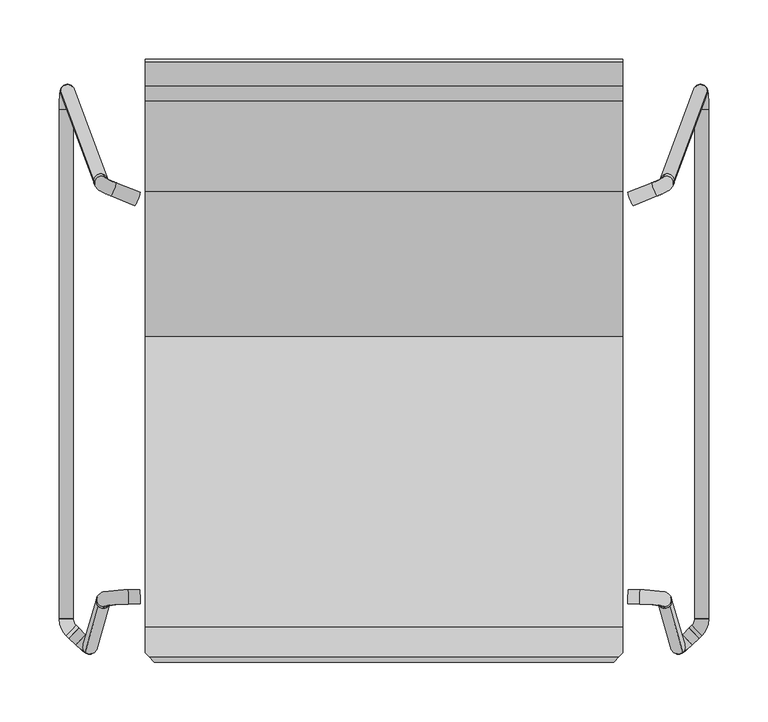
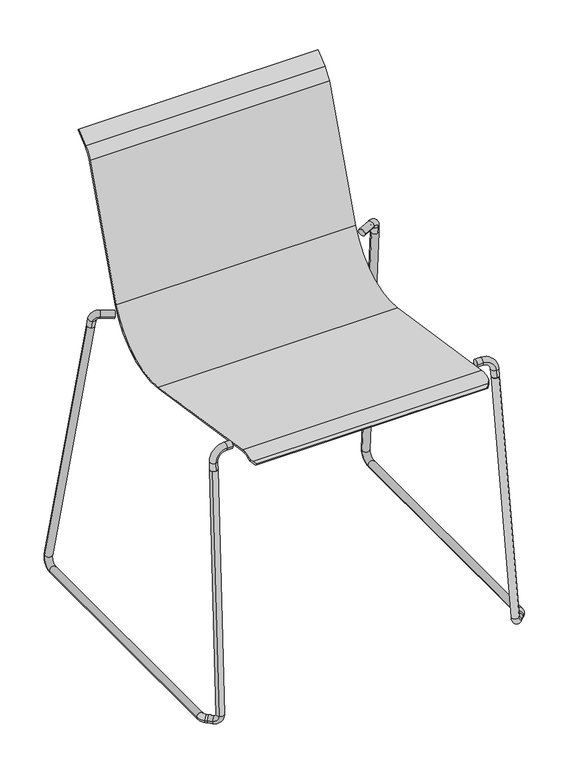
"""IFC4 building model written with IfcOpenShell, lengths in millimetres: furniture geometry."""

from ifc_helpers import new_model, si_unit, point, frame, origin, place, context, project, spatial, polyline, circle_curve, ellipse_curve, trimmed, source, transform, mapped, element, save
from ifc_brep_helpers import plane_surface, cylinder_surface, revolved_surface, advanced_brep


def furniture_06264f81(model_context):
    return source(origin(), model_context, "Body", "AdvancedBrep", [
        advanced_brep(
        [(201.2444976, 24.3304529, 419.943307), (201.2444976, 149.8338924, 494.2810775), (201.2444976, 226.3730894, 704.570793), (201.2444976, 238.2492899, 721.531765), (201.2444976, 258.5294803, 738.5488653), (201.2444976, 256.6011175, 740.8469986), (201.2444976, 236.320927, 723.8298983), (201.2444976, 223.5540116, 705.5968534), (201.2444976, 147.0148146, 495.3071379), (201.2444976, 24.7853778, 422.9086137), (201.2444976, -220.3412949, 460.5149201), (201.2444976, -242.0002907, 456.3854383), (201.2444976, -242.0002907, 452.8488399), (201.2444976, -220.7962198, 457.5496134), (-201.2292924, 24.3304529, 419.943307), (-201.2292924, -220.7962198, 457.5496134), (-201.2292924, -242.0171778, 452.8375601), (-201.2292924, -242.0171778, 456.3755592), (-201.2292924, -220.3412949, 460.5149201), (-201.2292924, 24.7853778, 422.9086137), (-201.2292924, 147.0148146, 495.3071379), (-201.2292924, 223.5540116, 705.5968534), (-201.2292924, 236.320927, 723.8298983), (-201.2292924, 256.6011175, 740.8469986), (-201.2292924, 258.5294803, 738.5488653), (-201.2292924, 238.2492899, 721.531765), (-201.2292924, 226.3730894, 704.570793), (-201.2292924, 149.8338924, 494.2810775), (-197.9472119, -245.6622975, 453.9009021), (197.9472119, -245.6622975, 453.9009021), (-193.835065, -250.2292993, 450.3327693), (193.835065, -250.2292993, 450.3327693), (-195.4980973, -248.3823149, 447.9687371), (195.4980973, -248.3823149, 447.9687371), (-199.6102441, -243.8153131, 451.5368699), (199.6102441, -243.8153131, 451.5368699)],
        [
            (0, 1, circle_curve(frame((201.2444976, 41.769241, 533.613394), z_axis=(1.0, 0.0, 0.0), x_axis=(0.0, -1.0, 0.0)), 115.0)),
            (1, 2),
            (2, 3, circle_curve(frame((201.2444976, 263.9607943, 690.8899872), z_axis=(-1.0, 0.0, 0.0), x_axis=(0.0, -1.0, 0.0)), 40.0)),
            (3, 4),
            (4, 5),
            (5, 6),
            (6, 7, circle_curve(frame((201.2444976, 263.9607943, 690.8899872), z_axis=(1.0, 0.0, 0.0), x_axis=(0.0, -1.0, 0.0)), 43.0)),
            (7, 8),
            (8, 9, circle_curve(frame((201.2444976, 41.769241, 533.613394), z_axis=(-1.0, 0.0, 0.0), x_axis=(0.0, -1.0, 0.0)), 112.0)),
            (9, 10),
            (10, 11, circle_curve(frame((201.2444976, -225.3454689, 427.8965473), z_axis=(1.0, 0.0, 0.0), x_axis=(0.0, -1.0, 0.0)), 33.0)),
            (11, 12),
            (12, 13, circle_curve(frame((201.2444976, -225.3454689, 427.8965473), z_axis=(-1.0, 0.0, 0.0), x_axis=(0.0, -1.0, 0.0)), 30.0)),
            (13, 0),
            (14, 15),
            (15, 16, circle_curve(frame((-201.2292924, -225.3454689, 427.8965473), z_axis=(1.0, 0.0, 0.0), x_axis=(0.0, -1.0, 0.0)), 30.0)),
            (16, 17),
            (17, 18, circle_curve(frame((-201.2292924, -225.3454689, 427.8965473), z_axis=(-1.0, 0.0, 0.0), x_axis=(0.0, -1.0, 0.0)), 33.0)),
            (18, 19),
            (19, 20, circle_curve(frame((-201.2292924, 41.769241, 533.613394), z_axis=(1.0, 0.0, 0.0), x_axis=(0.0, -1.0, 0.0)), 112.0)),
            (20, 21),
            (21, 22, circle_curve(frame((-201.2292924, 263.9607943, 690.8899872), z_axis=(-1.0, 0.0, 0.0), x_axis=(0.0, -1.0, 0.0)), 43.0)),
            (22, 23),
            (23, 24),
            (24, 25),
            (25, 26, circle_curve(frame((-201.2292924, 263.9607943, 690.8899872), z_axis=(1.0, 0.0, 0.0), x_axis=(0.0, -1.0, 0.0)), 40.0)),
            (26, 27),
            (27, 14, circle_curve(frame((-201.2292924, 41.769241, 533.613394), z_axis=(-1.0, 0.0, 0.0), x_axis=(0.0, -1.0, 0.0)), 115.0)),
            (0, 14),
            (27, 1),
            (26, 2),
            (25, 3),
            (24, 4),
            (23, 5),
            (22, 6),
            (21, 7),
            (20, 8),
            (19, 9),
            (18, 10),
            (17, 28, ellipse_curve(frame((-216.2405666, -225.3454689, 427.8965473), z_axis=(0.743144825477396, 0.6691306063588562, 0.0), x_axis=(0.6691306063588561, -0.743144825477396, 0.0)), 44.4058801, 33.0)),
            (28, 29),
            (29, 11, ellipse_curve(frame((216.2405666, -225.3454689, 427.8965473), z_axis=(-0.743144825477396, 0.6691306063588562, 0.0), x_axis=(0.6691306063588561, 0.743144825477396, 0.0)), 44.4058801, 33.0)),
            (28, 30),
            (30, 31),
            (31, 29),
            (30, 32),
            (32, 33),
            (33, 31),
            (32, 34),
            (34, 35),
            (35, 33),
            (15, 13),
            (12, 35, ellipse_curve(frame((216.2405666, -225.3454689, 427.8965473), z_axis=(0.743144825477396, -0.6691306063588562, 0.0), x_axis=(-0.6691306063588561, -0.743144825477396, 0.0)), 40.3689819, 30.0)),
            (34, 16, ellipse_curve(frame((-216.2405666, -225.3454689, 427.8965473), z_axis=(-0.743144825477396, -0.6691306063588562, 0.0), x_axis=(-0.6691306063588561, 0.743144825477396, 0.0)), 40.3689819, 30.0)),
        ],
        [
            plane_surface(frame((201.2444976, -73.230759, 533.613394), z_axis=(1.0, 0.0, 0.0), x_axis=(0.0, 0.0, -1.0))),
            plane_surface(frame((-201.2292924, -73.230759, 533.613394), z_axis=(-1.0, 0.0, 0.0), x_axis=(0.0, 0.0, 1.0))),
            cylinder_surface(frame((-201.2292924, 41.769241, 533.613394), z_axis=(1.0, 0.0, 0.0), x_axis=(0.0, -1.0, 0.0)), 115.0),
            plane_surface(frame((201.2444976, 149.8338924, 494.2810775), z_axis=(0.0, 0.939692620785908, -0.3420201433256698), x_axis=(-1.0, 0.0, 0.0))),
            revolved_surface(polyline([(-201.2292924, 223.96079429999998, 690.8899872), (201.24449760000002, 223.96079429999998, 690.8899872)]), (-201.2292924, 263.9607943, 690.8899872), (-1.0, 0.0, 0.0)),
            plane_surface(frame((201.2444976, 238.2492899, 721.531765), z_axis=(0.0, 0.6427876096865349, -0.7660444431189818), x_axis=(-1.0, 0.0, 0.0))),
            plane_surface(frame((201.2444976, 258.5294803, 738.5488653), z_axis=(0.0, 0.7660444431189765, 0.6427876096865414), x_axis=(-1.0, 0.0, 0.0))),
            plane_surface(frame((201.2444976, 256.6011175, 740.8469986), z_axis=(0.0, -0.6427876096865404, 0.7660444431189772), x_axis=(-1.0, 0.0, 0.0))),
            cylinder_surface(frame((-201.2292924, 263.9607943, 690.8899872), z_axis=(1.0, 0.0, 0.0), x_axis=(0.0, -1.0, 0.0)), 43.0),
            plane_surface(frame((201.2444976, 223.5540116, 705.5968534), z_axis=(0.0, -0.939692620785908, 0.34202014332566993), x_axis=(-1.0, 0.0, 0.0))),
            revolved_surface(polyline([(-201.2292924, -70.230759, 533.613394), (201.24449760000002, -70.230759, 533.613394)]), (-201.2292924, 41.769241, 533.613394), (-1.0, 0.0, 0.0)),
            plane_surface(frame((201.2444976, 24.7853778, 422.9086137), z_axis=(0.0, 0.15164163620801485, 0.988435538701516), x_axis=(-1.0, 0.0, 0.0))),
            cylinder_surface(frame((-201.2292924, -225.3454689, 427.8965473), z_axis=(1.0, 0.0, 0.0), x_axis=(0.0, -1.0, 0.0)), 33.0),
            plane_surface(frame((201.2444976, -245.6622975, 453.9009021), z_axis=(0.0, -0.6156614753256514, 0.7880107536067273), x_axis=(-1.0, 0.0, 0.0))),
            plane_surface(frame((201.2444976, -250.2292993, 450.3327693), z_axis=(0.0, -0.7880107536067199, -0.615661475325661), x_axis=(-1.0, 0.0, 0.0))),
            plane_surface(frame((201.2444976, -248.3823149, 447.9687371), z_axis=(0.0, 0.6156614753256584, -0.788010753606722), x_axis=(-1.0, 0.0, 0.0))),
            revolved_surface(polyline([(-243.25268793683668, -255.3454689, 427.8965473), (243.25268793683668, -255.3454689, 427.8965473)]), (-201.2292924, -225.3454689, 427.8965473), (-1.0, 0.0, 0.0)),
            plane_surface(frame((201.2444976, -220.7962198, 457.5496134), z_axis=(0.0, -0.1516416362080147, -0.988435538701516), x_axis=(-1.0, 0.0, 0.0))),
            plane_surface(frame((-191.0980388, -253.2690749, 508.707744), z_axis=(-0.743144825477396, -0.6691306063588562, 0.0), x_axis=(0.0, 0.0, -1.0))),
            plane_surface(frame((203.6244553, -239.35708, 508.707744), z_axis=(0.743144825477396, -0.6691306063588562, 0.0), x_axis=(0.0, 0.0, -1.0))),
        ],
        [
            (0, [[1, 2, 3, 4, 5, 6, 7, 8, 9, 10, 11, 12, 13, 14]]),
            (1, [[15, 16, 17, 18, 19, 20, 21, 22, 23, 24, 25, 26, 27, 28]]),
            (2, [[-1, 29, -28, 30]]),
            (3, [[-2, -30, -27, 31]]),
            (4, [[-3, -31, -26, 32]]),
            (5, [[-4, -32, -25, 33]]),
            (6, [[-5, -33, -24, 34]]),
            (7, [[-6, -34, -23, 35]]),
            (8, [[-7, -35, -22, 36]]),
            (9, [[-8, -36, -21, 37]]),
            (10, [[-9, -37, -20, 38]]),
            (11, [[-10, -38, -19, 39]]),
            (12, [[-39, -18, 40, 41, 42, -11]]),
            (13, [[43, 44, 45, -41]]),
            (14, [[46, 47, 48, -44]]),
            (15, [[49, 50, 51, -47]]),
            (16, [[52, -13, 53, -50, 54, -16]]),
            (17, [[-14, -52, -15, -29]]),
            (18, [[-17, -54, -49, -46, -43, -40]]),
            (19, [[-12, -42, -45, -48, -51, -53]]),
        ],
    ),
        advanced_brep(
        [(233.0457887, 156.2865809, 465.3329839), (260.8880786, 231.2063556, 23.0890391), (272.8643677, 231.2063556, 23.8430286), (245.0220778, 156.2865809, 466.0869735), (241.3354032, 150.8013257, 464.9256245), (236.7324633, 161.771836, 466.4943329), (261.9876853, 216.4162599, 5.6230052), (273.9639744, 216.4162599, 6.3769948), (261.9876853, -203.7753745, 5.6230052), (261.9876853, -212.8016624, 5.6230052), (261.9758298, -212.8016624, 6.0), (273.9639744, -212.8016624, 6.3769948), (273.9639744, -203.7753745, 6.3769948), (273.9758298, -212.8016624, 6.0), (257.6353373, -221.1344936, 6.0), (259.806494, -219.064209, 6.0), (268.0876327, -227.7488358, 6.0), (265.916476, -229.8191204, 6.0), (257.6510934, -221.1510174, 5.4770655), (265.9007198, -229.8025966, 6.5229345), (261.9758298, -213.9981766, 6.0), (273.9758298, -213.9981766, 6.0), (232.7300118, -194.3305077, 423.9132302), (240.9796382, -202.9820869, 424.9590991), (260.1151952, -235.3193255, 6.5229345), (251.8655688, -226.6677463, 5.4770655), (244.0071837, -232.9025417, 15.8874668), (252.2568101, -241.5541209, 16.9333358), (210.446413, 135.2055859, 483.3567488), (205.8434731, 146.1760963, 484.9254571), (235.9486996, 159.6628357, 478.9435512), (240.5516395, 148.6923253, 477.3748429), (226.114888, 154.3021151, 487.5782964), (230.7178279, 143.3316047, 486.009588)],
        [
            (0, 1),
            (1, 2, circle_curve(frame((266.8762232, 231.2063556, 23.4660339), z_axis=(-0.06195320901707969, -0.1667075686554561, 0.9840581214773203), x_axis=(-0.9980240887181486, 0.0, -0.06283246245619341)), 6.0)),
            (2, 3),
            (3, 4, circle_curve(frame((239.0339332, 156.2865809, 465.7099787), z_axis=(0.06195320901707969, 0.1667075686554561, -0.9840581214773203), x_axis=(-0.9980240887181486, 0.0, -0.06283246245619341)), 6.0)),
            (4, 0, circle_curve(frame((239.0339332, 156.2865809, 465.7099787), z_axis=(0.06195320901707969, 0.1667075686554561, -0.9840581214773203), x_axis=(-0.9980240887181486, 0.0, -0.06283246245619341)), 6.0)),
            (0, 5, circle_curve(frame((239.0339332, 156.2865809, 465.7099787), z_axis=(0.06195320901707969, 0.1667075686554561, -0.9840581214773203), x_axis=(-0.9980240887181486, 0.0, -0.06283246245619341)), 6.0)),
            (5, 3, circle_curve(frame((239.0339332, 156.2865809, 465.7099787), z_axis=(0.06195320901707969, 0.1667075686554561, -0.9840581214773203), x_axis=(-0.9980240887181486, 0.0, -0.06283246245619341)), 6.0)),
            (2, 1, circle_curve(frame((266.8762232, 231.2063556, 23.4660339), z_axis=(-0.06195320901707969, -0.1667075686554561, 0.9840581214773203), x_axis=(-0.9980240887181486, 0.0, -0.06283246245619341)), 6.0)),
            (1, 6, circle_curve(frame((261.0451984, 216.4162599, 20.5933666), z_axis=(-0.9980240887181486, 0.0, -0.06283246245619342), x_axis=(-0.010474647048707245, 0.9860063826127021, 0.16637816928977997)), 15.0)),
            (6, 7, circle_curve(frame((267.9758298, 216.4162599, 6.0), z_axis=(0.0, 1.0, 0.0), x_axis=(-0.9980240887181486, 0.0, -0.06283246245619341)), 6.0)),
            (7, 2, circle_curve(frame((273.0214874, 216.4162599, 21.3473561), z_axis=(0.9980240887181486, 0.0, 0.06283246245619342), x_axis=(-0.010474647048707245, 0.9860063826127021, 0.16637816928977997)), 15.0)),
            (7, 6, circle_curve(frame((267.9758298, 216.4162599, 6.0), z_axis=(0.0, 1.0, 0.0), x_axis=(-0.9980240887181486, 0.0, -0.06283246245619341)), 6.0)),
            (6, 8),
            (8, 9),
            (9, 10, circle_curve(frame((267.9758298, -212.8016624, 6.0), z_axis=(0.0, 1.0, 0.0), x_axis=(-0.9980240887181486, 0.0, -0.06283246245619342)), 6.0)),
            (10, 11, circle_curve(frame((267.9758298, -212.8016624, 6.0), z_axis=(0.0, 1.0, 0.0), x_axis=(-0.9980240887181486, 0.0, -0.06283246245619342)), 6.0)),
            (11, 12),
            (12, 7),
            (11, 13, circle_curve(frame((267.9758298, -212.8016624, 6.0), z_axis=(0.0, 1.0, 0.0), x_axis=(-0.9980240887181486, 0.0, -0.06283246245619342)), 6.0)),
            (13, 9, circle_curve(frame((267.9758298, -212.8016624, 6.0), z_axis=(0.0, 1.0, 0.0), x_axis=(-0.9980240887181486, 0.0, -0.06283246245619342)), 6.0)),
            (14, 15),
            (15, 16, circle_curve(frame((263.9470633, -223.4065224, 6.0), z_axis=(-0.7237189012643079, -0.6900948861952122, 0.0), x_axis=(-0.6900948861952122, 0.7237189012643079, 0.0)), 6.0)),
            (16, 17),
            (17, 18, circle_curve(frame((261.7759066, -225.476807, 6.0), z_axis=(0.7237189012643079, 0.6900948861952122, 0.0), x_axis=(-0.6900948861952122, 0.7237189012643079, 0.0)), 6.0)),
            (18, 14, circle_curve(frame((261.7759066, -225.476807, 6.0), z_axis=(0.7237189012643079, 0.6900948861952122, 0.0), x_axis=(-0.6900948861952122, 0.7237189012643079, 0.0)), 6.0)),
            (14, 19, circle_curve(frame((261.7759066, -225.476807, 6.0), z_axis=(0.7237189012643079, 0.6900948861952122, 0.0), x_axis=(-0.6900948861952122, 0.7237189012643079, 0.0)), 6.0)),
            (19, 17, circle_curve(frame((261.7759066, -225.476807, 6.0), z_axis=(0.7237189012643079, 0.6900948861952122, 0.0), x_axis=(-0.6900948861952122, 0.7237189012643079, 0.0)), 6.0)),
            (16, 15, circle_curve(frame((263.9470633, -223.4065224, 6.0), z_axis=(-0.7237189012643079, -0.6900948861952122, 0.0), x_axis=(-0.6900948861952122, 0.7237189012643079, 0.0)), 6.0)),
            (15, 20, circle_curve(frame((254.9758298, -213.9981766, 6.0), z_axis=(0.0, 0.0, 1.0), x_axis=(0.6900948861952031, -0.7237189012643167, 0.0)), 7.0)),
            (20, 21, circle_curve(frame((267.9758298, -213.9981766, 6.0), z_axis=(0.0, -1.0, 0.0), x_axis=(-1.0, 0.0, 0.0)), 6.0)),
            (21, 16, circle_curve(frame((254.9758298, -213.9981766, 6.0), z_axis=(0.0, 0.0, -1.0), x_axis=(0.6900948861952031, -0.7237189012643167, 0.0)), 19.0)),
            (21, 20, circle_curve(frame((267.9758298, -213.9981766, 6.0), z_axis=(0.0, -1.0000000000000002, 0.0), x_axis=(-1.0000000000000002, 0.0, 0.0)), 6.0)),
            (20, 10),
            (13, 21),
            (22, 23, circle_curve(frame((236.854825, -198.6562973, 424.4361647), z_axis=(-0.027505297107938108, 0.09407813189801605, 0.9951847887350287), x_axis=(0.6874688668079006, -0.7209649323482905, 0.08715574274760071)), 6.0)),
            (23, 22, circle_curve(frame((236.854825, -198.6562973, 424.4361647), z_axis=(-0.027505297107938108, 0.09407813189801605, 0.9951847887350287), x_axis=(0.6874688668079006, -0.7209649323482905, 0.08715574274760071)), 6.0)),
            (19, 24),
            (24, 25, circle_curve(frame((255.990382, -230.9935359, 6.0), z_axis=(0.723718901264308, 0.6900948861952122, 0.0), x_axis=(0.6874688668079005, -0.7209649323482905, 0.08715574274760086)), 6.0)),
            (25, 18),
            (25, 24, circle_curve(frame((255.990382, -230.9935359, 6.0), z_axis=(0.723718901264308, 0.6900948861952122, 0.0), x_axis=(0.6874688668079005, -0.7209649323482905, 0.08715574274760086)), 6.0)),
            (22, 26),
            (26, 27, circle_curve(frame((248.1319969, -237.2283313, 16.4104013), z_axis=(-0.027505297107938108, 0.09407813189801605, 0.9951847887350287), x_axis=(0.6874688668079006, -0.7209649323482905, 0.08715574274760071)), 6.0)),
            (27, 23),
            (27, 26, circle_curve(frame((248.1319969, -237.2283313, 16.4104013), z_axis=(-0.027505297107938108, 0.09407813189801605, 0.9951847887350287), x_axis=(0.6874688668079006, -0.7209649323482905, 0.08715574274760071)), 6.0)),
            (24, 27, circle_curve(frame((259.5137379, -234.6885629, 16.4848814), z_axis=(-0.6874688668079005, 0.7209649323482905, -0.08715574274760084), x_axis=(0.06014573237266063, -0.0630762583801723, -0.9961946980917505)), 10.0)),
            (26, 25, circle_curve(frame((251.2641115, -226.0369837, 15.4390125), z_axis=(0.6874688668079005, -0.7209649323482905, 0.08715574274760084), x_axis=(0.06014573237266063, -0.0630762583801723, -0.9961946980917505)), 10.0)),
            (28, 29, circle_curve(frame((208.1449431, 140.6908411, 484.1411029), z_axis=(-0.9214279496800504, -0.3693644920768858, -0.12058360394847556), x_axis=(-0.38357832764756755, 0.9142091984583021, 0.13072569760121477)), 6.0)),
            (29, 28, circle_curve(frame((208.1449431, 140.6908411, 484.1411029), z_axis=(-0.9214279496800504, -0.3693644920768858, -0.12058360394847556), x_axis=(-0.38357832764756755, 0.9142091984583021, 0.13072569760121477)), 6.0)),
            (5, 30),
            (30, 31, circle_curve(frame((238.2501695, 154.1775805, 478.1591971), z_axis=(0.06195320901707974, 0.16670756865545444, -0.9840581214773205), x_axis=(-0.3835783276475676, 0.9142091984583021, 0.1307256976012148)), 6.0)),
            (31, 4),
            (31, 30, circle_curve(frame((238.2501695, 154.1775805, 478.1591971), z_axis=(0.06195320901707974, 0.16670756865545444, -0.9840581214773205), x_axis=(-0.3835783276475676, 0.9142091984583021, 0.1307256976012148)), 6.0)),
            (30, 32, circle_curve(frame((226.7344201, 155.9691908, 477.7377152), z_axis=(0.3835783276475676, -0.9142091984583021, -0.13072569760121477), x_axis=(0.921427949680051, 0.3693644920768876, 0.1205836039484661)), 10.0)),
            (32, 33, circle_curve(frame((228.4163579, 148.8168599, 486.7939422), z_axis=(0.9214279496800503, 0.3693644920768855, 0.12058360394847778), x_axis=(-0.3835783276475676, 0.9142091984583023, 0.13072569760121489)), 6.0)),
            (33, 31, circle_curve(frame((231.33736, 144.9986804, 476.1690068), z_axis=(-0.3835783276475676, 0.9142091984583021, 0.13072569760121477), x_axis=(0.921427949680051, 0.3693644920768876, 0.1205836039484661)), 10.0)),
            (33, 32, circle_curve(frame((228.4163579, 148.8168599, 486.7939422), z_axis=(0.9214279496800504, 0.36936449207688565, 0.1205836039484769), x_axis=(-0.3835783276475676, 0.9142091984583023, 0.13072569760121489)), 6.0)),
            (28, 33),
            (32, 29),
        ],
        [
            cylinder_surface(frame((239.0339332, 156.2865809, 465.7099787), z_axis=(-0.06195320901707969, -0.1667075686554561, 0.9840581214773203), x_axis=(-0.9980240887181486, 0.0, -0.06283246245619341)), 6.0),
            revolved_surface(trimmed(ellipse_curve(frame((266.8762232, 231.2063556, 23.4660339), z_axis=(-0.06195320901707966, -0.1667075686554564, 0.9840581214773202), x_axis=(-0.9980240887181486, 0.0, -0.0628324624561934)), 6.0, 6.0), [point((260.8880786, 231.2063556, 23.0890391))], [point((272.8643677, 231.2063556, 23.8430286))], True, "CARTESIAN"), (-0.4129905, 216.4162599, 4.1327801), (-0.9980240887181486, 0.0, -0.06283246245619342)),
            revolved_surface(trimmed(ellipse_curve(frame((266.8762232, 231.2063556, 23.4660339), z_axis=(-0.06195320901707966, -0.1667075686554564, 0.9840581214773202), x_axis=(-0.9980240887181486, 0.0, -0.0628324624561934)), 6.0, 6.0), [point((272.8643677, 231.2063556, 23.8430286))], [point((260.8880786, 231.2063556, 23.0890391))], True, "CARTESIAN"), (-0.4129905, 216.4162599, 4.1327801), (-0.9980240887181486, 0.0, -0.06283246245619342)),
            cylinder_surface(frame((267.9758298, 216.4162599, 6.0), z_axis=(0.0, 1.0, 0.0), x_axis=(-0.9980240887181486, 0.0, -0.06283246245619342)), 6.0),
            cylinder_surface(frame((261.7759066, -225.476807, 6.0), z_axis=(-0.7237189012643079, -0.6900948861952122, 0.0), x_axis=(-0.6900948861952122, 0.7237189012643079, 0.0)), 6.0),
            revolved_surface(trimmed(ellipse_curve(frame((263.9470633, -223.4065224, 6.0), z_axis=(-0.7237189012643164, -0.6900948861952034, 0.0), x_axis=(-0.6900948861952034, 0.7237189012643164, 0.0)), 6.0, 6.0), [point((259.806494, -219.064209, 6.0))], [point((268.0876327, -227.7488358, 6.0))], True, "CARTESIAN"), (254.9758298, -213.9981766, 0.0), (0.0, 0.0, 1.0)),
            revolved_surface(trimmed(ellipse_curve(frame((263.9470633, -223.4065224, 6.0), z_axis=(-0.7237189012643164, -0.6900948861952034, 0.0), x_axis=(-0.6900948861952034, 0.7237189012643164, 0.0)), 6.0, 6.0), [point((268.0876327, -227.7488358, 6.0))], [point((259.806494, -219.064209, 6.0))], True, "CARTESIAN"), (254.9758298, -213.9981766, 0.0), (0.0, 0.0, 1.0)),
            cylinder_surface(frame((267.9758298, -213.9981766, 6.0), z_axis=(0.0, -1.0, 0.0), x_axis=(-1.0, 0.0, 0.0)), 6.0),
            plane_surface(frame((421.0798651, -391.8574733, 447.7917972), z_axis=(-0.027505297107938212, 0.09407813189801593, 0.9951847887350288), x_axis=(0.6874688668079008, -0.7209649323482905, 0.0871557427476007))),
            cylinder_surface(frame((261.7759066, -225.476807, 6.0), z_axis=(0.723718901264308, 0.6900948861952122, 0.0), x_axis=(0.6874688668079005, -0.7209649323482905, 0.08715574274760086)), 6.0),
            cylinder_surface(frame((248.1319969, -237.2283313, 16.4104013), z_axis=(0.027505297107938108, -0.09407813189801605, -0.9951847887350287), x_axis=(0.6874688668079006, -0.7209649323482905, 0.08715574274760071)), 6.0),
            revolved_surface(trimmed(ellipse_curve(frame((255.990382, -230.9935359, 6.0), z_axis=(0.7237189012643079, 0.6900948861952122, 0.0), x_axis=(0.6874688668079008, -0.7209649323482903, 0.08715574274760086)), 6.0, 6.0), [point((260.1151952, -235.3193255, 6.5229345))], [point((251.8655688, -226.6677463, 5.4770655))], True, "CARTESIAN"), (439.6139648, -423.5639493, 39.3175795), (-0.6874688668079005, 0.7209649323482905, -0.08715574274760084)),
            revolved_surface(trimmed(ellipse_curve(frame((255.990382, -230.9935359, 6.0), z_axis=(0.7237189012643079, 0.6900948861952122, 0.0), x_axis=(0.6874688668079008, -0.7209649323482903, 0.08715574274760086)), 6.0, 6.0), [point((251.8655688, -226.6677463, 5.4770655))], [point((260.1151952, -235.3193255, 6.5229345))], True, "CARTESIAN"), (439.6139648, -423.5639493, 39.3175795), (-0.6874688668079005, 0.7209649323482905, -0.08715574274760084)),
            plane_surface(frame((105.3552224, 385.6768097, 519.1724302), z_axis=(-0.9214279496800505, -0.36936449207688604, -0.12058360394847556), x_axis=(-0.38357832764756766, 0.9142091984583021, 0.1307256976012147))),
            cylinder_surface(frame((239.0339332, 156.2865809, 465.7099787), z_axis=(0.061953209017079756, 0.16670756865545447, -0.9840581214773207), x_axis=(-0.3835783276475676, 0.9142091984583021, 0.1307256976012148)), 6.0),
            revolved_surface(trimmed(ellipse_curve(frame((238.2501695, 154.1775805, 478.1591971), z_axis=(0.061953209017071076, 0.16670756865545083, -0.9840581214773222), x_axis=(-0.38357832764756766, 0.9142091984583023, 0.13072569760121466)), 6.0, 6.0), [point((235.9486996, 159.6628357, 478.9435512))], [point((240.5516395, 148.6923253, 477.3748429))], True, "CARTESIAN"), (126.2461694, 395.4699042, 511.9846883), (0.3835783276475677, -0.9142091984583023, -0.1307256976012148)),
            revolved_surface(trimmed(ellipse_curve(frame((238.2501695, 154.1775805, 478.1591971), z_axis=(0.061953209017071076, 0.16670756865545083, -0.9840581214773222), x_axis=(-0.38357832764756766, 0.9142091984583023, 0.13072569760121466)), 6.0, 6.0), [point((240.5516395, 148.6923253, 477.3748429))], [point((235.9486996, 159.6628357, 478.9435512))], True, "CARTESIAN"), (126.2461694, 395.4699042, 511.9846883), (0.3835783276475677, -0.9142091984583023, -0.1307256976012148)),
            cylinder_surface(frame((228.4163579, 148.8168599, 486.7939422), z_axis=(0.9214279496800504, 0.3693644920768858, 0.12058360394847556), x_axis=(-0.38357832764756755, 0.9142091984583021, 0.13072569760121477)), 6.0),
        ],
        [
            (0, [[1, 2, 3, 4, 5]]),
            (0, [[-1, 6, 7, -3, 8]]),
            (1, [[-2, 9, 10, 11]]),
            (2, [[-8, -11, 12, -9]]),
            (3, [[-10, 13, 14, 15, 16, 17, 18]]),
            (3, [[-12, -18, -17, 19, 20, -14, -13]]),
            (4, [[21, 22, 23, 24, 25]]),
            (4, [[-21, 26, 27, -23, 28]]),
            (5, [[-22, 29, 30, 31]]),
            (6, [[-28, -31, 32, -29]]),
            (7, [[-30, 33, -15, -20, 34]]),
            (7, [[-32, -34, -19, -16, -33]]),
            (8, [[35, 36]]),
            (9, [[37, 38, 39, -24, -27]]),
            (9, [[-37, -26, -25, -39, 40]]),
            (10, [[-35, 41, 42, 43]]),
            (10, [[-36, -43, 44, -41]]),
            (11, [[-38, 45, -42, 46]]),
            (12, [[-40, -46, -44, -45]]),
            (13, [[47, 48]]),
            (14, [[49, 50, 51, -4, -7]]),
            (14, [[-49, -6, -5, -51, 52]]),
            (15, [[-50, 53, 54, 55]]),
            (16, [[-52, -55, 56, -53]]),
            (17, [[-47, 57, -54, 58]]),
            (17, [[-48, -58, -56, -57]]),
        ],
    ),
        advanced_brep(
        [(236.6897582, -204.6211212, 425.0017474), (237.013759, -192.6780423, 423.8801902), (205.8333566, -200.839548, 456.3564802), (206.1573574, -188.8964692, 455.2349229), (236.6776497, -191.5103867, 436.2170578), (236.3536489, -203.4534655, 437.338615), (215.8260333, -201.0829078, 456.6517571), (216.1500341, -189.139829, 455.5301998)],
        [
            (0, 1, circle_curve(frame((236.8517586, -198.6495817, 424.4409688), z_axis=(0.027113109588238402, -0.09419190813903593, -0.9951847887350287), x_axis=(0.027000064084925366, 0.9952565722624728, -0.09346310452667057)), 6.0)),
            (1, 0, circle_curve(frame((236.8517586, -198.6495817, 424.4409688), z_axis=(0.027113109588238402, -0.09419190813903593, -0.9951847887350287), x_axis=(0.027000064084925366, 0.9952565722624728, -0.09346310452667057)), 6.0)),
            (2, 3, circle_curve(frame((205.995357, -194.8680086, 455.7957015), z_axis=(-0.999267669760143, 0.024335977676699844, -0.02952768806820138), x_axis=(0.02700006408492502, 0.9952565722624729, -0.09346310452666985)), 6.0)),
            (3, 2, circle_curve(frame((205.995357, -194.8680086, 455.7957015), z_axis=(-0.999267669760143, 0.024335977676699844, -0.02952768806820138), x_axis=(0.02700006408492502, 0.9952565722624729, -0.09346310452666985)), 6.0)),
            (1, 4),
            (4, 5, circle_curve(frame((236.5156493, -197.4819261, 436.7778364), z_axis=(0.027113109588238402, -0.09419190813903593, -0.9951847887350287), x_axis=(0.027000064084925366, 0.9952565722624728, -0.09346310452667057)), 6.0)),
            (5, 0),
            (5, 4, circle_curve(frame((236.5156493, -197.4819261, 436.7778364), z_axis=(0.027113109588238402, -0.09419190813903593, -0.9951847887350287), x_axis=(0.027000064084925366, 0.9952565722624728, -0.09346310452667057)), 6.0)),
            (6, 5, circle_curve(frame((216.3682955, -202.966746, 436.7480613), z_axis=(0.027000064084924787, 0.9952565722624728, -0.09346310452667045), x_axis=(0.9992676697601431, -0.024335977676700135, 0.029527688068195695)), 20.0)),
            (4, 7, circle_curve(frame((216.6922963, -191.0236671, 435.626504), z_axis=(-0.027000064084924787, -0.9952565722624728, 0.09346310452667045), x_axis=(0.9992676697601431, -0.024335977676700135, 0.029527688068195695)), 20.0)),
            (7, 6, circle_curve(frame((215.9880337, -195.1113684, 456.0909784), z_axis=(0.9992676697601431, -0.0243359776767003, 0.029527688068196455), x_axis=(0.027000064084925012, 0.995256572262473, -0.0934631045266699)), 6.0)),
            (6, 7, circle_curve(frame((215.9880337, -195.1113684, 456.0909784), z_axis=(0.9992676697601431, -0.024335977676700447, 0.029527688068194908), x_axis=(0.027000064084925012, 0.995256572262473, -0.0934631045266699)), 6.0)),
            (7, 3),
            (2, 6),
        ],
        [
            plane_surface(frame((244.0871232, 68.0551241, 399.3951158), z_axis=(0.0271131095882389, -0.09419190813903577, -0.9951847887350288), x_axis=(0.027000064084925206, 0.9952565722624728, -0.09346310452667042))),
            plane_surface(frame((213.2307216, 71.8366972, 430.7498486), z_axis=(-0.999267669760143, 0.02433597767669962, -0.029527688068201847), x_axis=(0.027000064084924853, 0.9952565722624729, -0.09346310452667013))),
            cylinder_surface(frame((236.8517586, -198.6495817, 424.4409688), z_axis=(0.027113109588238402, -0.09419190813903593, -0.9951847887350287), x_axis=(0.027000064084925366, 0.9952565722624728, -0.09346310452667057)), 6.0),
            revolved_surface(trimmed(ellipse_curve(frame((236.5156493, -197.4819261, 436.7778364), z_axis=(0.0271131095882324, -0.09419190813903588, -0.9951847887350291), x_axis=(0.02700006408492537, 0.995256572262473, -0.09346310452667068)), 6.0, 6.0), [point((236.6776497, -191.5103867, 436.2170578))], [point((236.3536489, -203.4534655, 437.338615))], True, "CARTESIAN"), (223.7656605, 69.7094993, 411.1414297), (-0.027000064084924794, -0.995256572262473, 0.09346310452667046)),
            revolved_surface(trimmed(ellipse_curve(frame((236.5156493, -197.4819261, 436.7778364), z_axis=(0.0271131095882324, -0.09419190813903588, -0.9951847887350291), x_axis=(0.02700006408492537, 0.995256572262473, -0.09346310452667068)), 6.0, 6.0), [point((236.3536489, -203.4534655, 437.338615))], [point((236.6776497, -191.5103867, 436.2170578))], True, "CARTESIAN"), (223.7656605, 69.7094993, 411.1414297), (-0.027000064084924794, -0.995256572262473, 0.09346310452667046)),
            cylinder_surface(frame((215.9880337, -195.1113684, 456.0909784), z_axis=(0.999267669760143, -0.024335977676699844, 0.02952768806820138), x_axis=(0.02700006408492502, 0.9952565722624729, -0.09346310452666985)), 6.0),
        ],
        [
            (0, [[1, 2]]),
            (1, [[3, 4]]),
            (2, [[-2, 5, 6, 7]]),
            (2, [[-1, -7, 8, -5]]),
            (3, [[9, -6, 10, 11]]),
            (4, [[-10, -8, -9, 12]]),
            (5, [[-11, 13, -3, 14]]),
            (5, [[-12, -14, -4, -13]]),
        ],
    ),
        advanced_brep(
        [(-236.6897582, -204.6211212, 425.0017474), (-237.013759, -192.6780423, 423.8801902), (-205.8333566, -200.839548, 456.3564802), (-206.1573574, -188.8964692, 455.2349229), (-236.3536489, -203.4534655, 437.338615), (-236.6776497, -191.5103867, 436.2170578), (-216.1500341, -189.139829, 455.5301998), (-215.8260333, -201.0829078, 456.6517571)],
        [
            (0, 1, circle_curve(frame((-236.8517586, -198.6495817, 424.4409688), z_axis=(-0.027113109588238402, -0.09419190813903593, -0.9951847887350287), x_axis=(-0.027000064084925366, 0.9952565722624728, -0.09346310452667057)), 6.0)),
            (1, 0, circle_curve(frame((-236.8517586, -198.6495817, 424.4409688), z_axis=(-0.027113109588238402, -0.09419190813903593, -0.9951847887350287), x_axis=(-0.027000064084925366, 0.9952565722624728, -0.09346310452667057)), 6.0)),
            (2, 3, circle_curve(frame((-205.995357, -194.8680086, 455.7957015), z_axis=(0.999267669760143, 0.024335977676699844, -0.02952768806820138), x_axis=(-0.02700006408492502, 0.9952565722624729, -0.09346310452666985)), 6.0)),
            (3, 2, circle_curve(frame((-205.995357, -194.8680086, 455.7957015), z_axis=(0.999267669760143, 0.024335977676699844, -0.02952768806820138), x_axis=(-0.02700006408492502, 0.9952565722624729, -0.09346310452666985)), 6.0)),
            (0, 4),
            (4, 5, circle_curve(frame((-236.5156493, -197.4819261, 436.7778364), z_axis=(-0.027113109588238402, -0.09419190813903593, -0.9951847887350287), x_axis=(-0.027000064084925366, 0.9952565722624728, -0.09346310452667057)), 6.0)),
            (5, 1),
            (5, 4, circle_curve(frame((-236.5156493, -197.4819261, 436.7778364), z_axis=(-0.027113109588238402, -0.09419190813903593, -0.9951847887350287), x_axis=(-0.027000064084925366, 0.9952565722624728, -0.09346310452667057)), 6.0)),
            (6, 5, circle_curve(frame((-216.6922963, -191.0236671, 435.626504), z_axis=(0.027000064084924787, -0.9952565722624728, 0.09346310452667045), x_axis=(-0.9992676697601431, -0.024335977676700135, 0.029527688068195695)), 20.0)),
            (4, 7, circle_curve(frame((-216.3682955, -202.966746, 436.7480613), z_axis=(-0.027000064084924787, 0.9952565722624728, -0.09346310452667045), x_axis=(-0.9992676697601431, -0.024335977676700135, 0.029527688068195695)), 20.0)),
            (7, 6, circle_curve(frame((-215.9880337, -195.1113684, 456.0909784), z_axis=(-0.9992676697601433, -0.024335977676700614, 0.029527688068193142), x_axis=(-0.027000064084925012, 0.995256572262473, -0.0934631045266699)), 6.0)),
            (6, 7, circle_curve(frame((-215.9880337, -195.1113684, 456.0909784), z_axis=(-0.9992676697601431, -0.02433597767670049, 0.029527688068194467), x_axis=(-0.027000064084925012, 0.995256572262473, -0.0934631045266699)), 6.0)),
            (7, 2),
            (3, 6),
        ],
        [
            plane_surface(frame((-244.0871232, 68.0551241, 399.3951158), z_axis=(-0.027113109588238895, -0.09419190813903579, -0.9951847887350287), x_axis=(-0.027000064084925206, 0.9952565722624728, -0.09346310452667043))),
            plane_surface(frame((-213.2307216, 71.8366972, 430.7498486), z_axis=(0.999267669760143, 0.02433597767669965, -0.02952768806820185), x_axis=(-0.027000064084924873, 0.9952565722624728, -0.09346310452667012))),
            cylinder_surface(frame((-236.8517586, -198.6495817, 424.4409688), z_axis=(-0.027113109588238402, -0.09419190813903593, -0.9951847887350287), x_axis=(-0.027000064084925366, 0.9952565722624728, -0.09346310452667057)), 6.0),
            revolved_surface(trimmed(ellipse_curve(frame((-236.5156493, -197.4819261, 436.7778364), z_axis=(-0.0271131095882324, -0.09419190813903588, -0.9951847887350291), x_axis=(-0.02700006408492537, 0.995256572262473, -0.09346310452667068)), 6.0, 6.0), [point((-236.3536489, -203.4534655, 437.338615))], [point((-236.6776497, -191.5103867, 436.2170578))], True, "CARTESIAN"), (-223.7656605, 69.7094993, 411.1414297), (-0.027000064084924794, 0.995256572262473, -0.09346310452667046)),
            revolved_surface(trimmed(ellipse_curve(frame((-236.5156493, -197.4819261, 436.7778364), z_axis=(-0.0271131095882324, -0.09419190813903588, -0.9951847887350291), x_axis=(-0.02700006408492537, 0.995256572262473, -0.09346310452667068)), 6.0, 6.0), [point((-236.6776497, -191.5103867, 436.2170578))], [point((-236.3536489, -203.4534655, 437.338615))], True, "CARTESIAN"), (-223.7656605, 69.7094993, 411.1414297), (-0.027000064084924794, 0.995256572262473, -0.09346310452667046)),
            cylinder_surface(frame((-215.9880337, -195.1113684, 456.0909784), z_axis=(-0.999267669760143, -0.024335977676699844, 0.02952768806820138), x_axis=(-0.02700006408492502, 0.9952565722624729, -0.09346310452666985)), 6.0),
        ],
        [
            (0, [[1, 2]]),
            (1, [[3, 4]]),
            (2, [[-1, 5, 6, 7]]),
            (2, [[-2, -7, 8, -5]]),
            (3, [[9, -6, 10, 11]]),
            (4, [[-10, -8, -9, 12]]),
            (5, [[-11, 13, -4, 14]]),
            (5, [[-12, -14, -3, -13]]),
        ],
    ),
        advanced_brep(
        [(-245.0220778, 156.2865809, 466.0869735), (-272.8643677, 231.2063556, 23.8430286), (-260.8880786, 231.2063556, 23.0890391), (-233.0457887, 156.2865809, 465.3329839), (-241.3354032, 150.8013257, 464.9256245), (-236.7324633, 161.771836, 466.4943329), (-273.9639744, 216.4162599, 6.3769948), (-261.9876853, 216.4162599, 5.6230052), (-273.9639744, -203.7753745, 6.3769948), (-273.9639744, -212.8016624, 6.3769948), (-261.9758298, -212.8016624, 6.0), (-261.9876853, -212.8016624, 5.6230052), (-261.9876853, -203.7753745, 5.6230052), (-273.9758298, -212.8016624, 6.0), (-210.446413, 135.2055859, 483.3567488), (-205.8434731, 146.1760963, 484.9254571), (-240.5516395, 148.6923253, 477.3748429), (-235.9486996, 159.6628357, 478.9435512), (-230.7178279, 143.3316047, 486.009588), (-226.114888, 154.3021151, 487.5782964), (-265.916476, -229.8191204, 6.0), (-268.0876327, -227.7488358, 6.0), (-259.806494, -219.064209, 6.0), (-257.6353373, -221.1344936, 6.0), (-257.6510934, -221.1510174, 5.4770655), (-265.9007198, -229.8025966, 6.5229345), (-273.9758298, -213.9981766, 6.0), (-261.9758298, -213.9981766, 6.0), (-232.7300118, -194.3305077, 423.9132302), (-240.9796382, -202.9820869, 424.9590991), (-251.8655688, -226.6677463, 5.4770655), (-260.1151952, -235.3193255, 6.5229345), (-252.2568101, -241.5541209, 16.9333358), (-244.0071837, -232.9025417, 15.8874668)],
        [
            (0, 1),
            (1, 2, circle_curve(frame((-266.8762232, 231.2063556, 23.4660339), z_axis=(0.06195320901707969, -0.1667075686554561, 0.9840581214773203), x_axis=(0.9980240887181486, 0.0, -0.06283246245619341)), 6.0)),
            (2, 3),
            (3, 4, circle_curve(frame((-239.0339332, 156.2865809, 465.7099787), z_axis=(-0.06195320901707969, 0.1667075686554561, -0.9840581214773203), x_axis=(0.9980240887181486, 0.0, -0.06283246245619341)), 6.0)),
            (4, 0, circle_curve(frame((-239.0339332, 156.2865809, 465.7099787), z_axis=(-0.06195320901707969, 0.1667075686554561, -0.9840581214773203), x_axis=(0.9980240887181486, 0.0, -0.06283246245619341)), 6.0)),
            (0, 5, circle_curve(frame((-239.0339332, 156.2865809, 465.7099787), z_axis=(-0.06195320901707969, 0.1667075686554561, -0.9840581214773203), x_axis=(0.9980240887181486, 0.0, -0.06283246245619341)), 6.0)),
            (5, 3, circle_curve(frame((-239.0339332, 156.2865809, 465.7099787), z_axis=(-0.06195320901707969, 0.1667075686554561, -0.9840581214773203), x_axis=(0.9980240887181486, 0.0, -0.06283246245619341)), 6.0)),
            (2, 1, circle_curve(frame((-266.8762232, 231.2063556, 23.4660339), z_axis=(0.06195320901707969, -0.1667075686554561, 0.9840581214773203), x_axis=(0.9980240887181486, 0.0, -0.06283246245619341)), 6.0)),
            (1, 6, circle_curve(frame((-273.0214874, 216.4162599, 21.3473561), z_axis=(-0.9980240887181486, 0.0, 0.06283246245619342), x_axis=(0.010474647048707245, 0.9860063826127021, 0.16637816928977997)), 15.0)),
            (6, 7, circle_curve(frame((-267.9758298, 216.4162599, 6.0), z_axis=(0.0, 1.0, 0.0), x_axis=(0.9980240887181486, 0.0, -0.06283246245619341)), 6.0)),
            (7, 2, circle_curve(frame((-261.0451984, 216.4162599, 20.5933666), z_axis=(0.9980240887181486, 0.0, -0.06283246245619342), x_axis=(0.010474647048707245, 0.9860063826127021, 0.16637816928977997)), 15.0)),
            (7, 6, circle_curve(frame((-267.9758298, 216.4162599, 6.0), z_axis=(0.0, 1.0, 0.0), x_axis=(0.9980240887181486, 0.0, -0.06283246245619341)), 6.0)),
            (6, 8),
            (8, 9),
            (9, 10, circle_curve(frame((-267.9758298, -212.8016624, 6.0), z_axis=(0.0, 1.0, 0.0), x_axis=(0.9980240887181486, 0.0, -0.06283246245619342)), 6.0)),
            (10, 11, circle_curve(frame((-267.9758298, -212.8016624, 6.0), z_axis=(0.0, 1.0, 0.0), x_axis=(0.9980240887181486, 0.0, -0.06283246245619342)), 6.0)),
            (11, 12),
            (12, 7),
            (11, 13, circle_curve(frame((-267.9758298, -212.8016624, 6.0), z_axis=(0.0, 1.0, 0.0), x_axis=(0.9980240887181486, 0.0, -0.06283246245619342)), 6.0)),
            (13, 9, circle_curve(frame((-267.9758298, -212.8016624, 6.0), z_axis=(0.0, 1.0, 0.0), x_axis=(0.9980240887181486, 0.0, -0.06283246245619342)), 6.0)),
            (14, 15, circle_curve(frame((-208.1449431, 140.6908411, 484.1411029), z_axis=(0.9214279496800504, -0.369364492076886, -0.12058360394847559), x_axis=(0.38357832764756766, 0.914209198458302, 0.13072569760121477)), 6.0)),
            (15, 14, circle_curve(frame((-208.1449431, 140.6908411, 484.1411029), z_axis=(0.9214279496800504, -0.369364492076886, -0.12058360394847559), x_axis=(0.38357832764756766, 0.914209198458302, 0.13072569760121477)), 6.0)),
            (4, 16),
            (16, 17, circle_curve(frame((-238.2501695, 154.1775805, 478.1591971), z_axis=(-0.06195320901707974, 0.16670756865545444, -0.9840581214773205), x_axis=(0.3835783276475676, 0.9142091984583021, 0.1307256976012148)), 6.0)),
            (17, 5),
            (17, 16, circle_curve(frame((-238.2501695, 154.1775805, 478.1591971), z_axis=(-0.06195320901707974, 0.16670756865545444, -0.9840581214773205), x_axis=(0.3835783276475676, 0.9142091984583021, 0.1307256976012148)), 6.0)),
            (16, 18, circle_curve(frame((-231.33736, 144.9986804, 476.1690068), z_axis=(0.3835783276475676, 0.9142091984583021, 0.13072569760121477), x_axis=(-0.921427949680051, 0.3693644920768876, 0.1205836039484661)), 10.0)),
            (18, 19, circle_curve(frame((-228.4163579, 148.8168599, 486.7939422), z_axis=(-0.9214279496800507, 0.36936449207688615, 0.1205836039484736), x_axis=(0.38357832764756755, 0.9142091984583023, 0.13072569760121489)), 6.0)),
            (19, 17, circle_curve(frame((-226.7344201, 155.9691908, 477.7377152), z_axis=(-0.3835783276475676, -0.9142091984583021, -0.13072569760121477), x_axis=(-0.921427949680051, 0.3693644920768876, 0.1205836039484661)), 10.0)),
            (19, 18, circle_curve(frame((-228.4163579, 148.8168599, 486.7939422), z_axis=(-0.9214279496800505, 0.36936449207688576, 0.120583603948476), x_axis=(0.38357832764756755, 0.9142091984583023, 0.13072569760121489)), 6.0)),
            (15, 19),
            (18, 14),
            (20, 21),
            (21, 22, circle_curve(frame((-263.9470633, -223.4065224, 6.0), z_axis=(0.723718901264308, -0.6900948861952122, 0.0), x_axis=(0.6900948861952121, 0.7237189012643079, 0.0)), 6.0)),
            (22, 23),
            (23, 24, circle_curve(frame((-261.7759066, -225.476807, 6.0), z_axis=(-0.723718901264308, 0.6900948861952122, 0.0), x_axis=(0.6900948861952121, 0.7237189012643079, 0.0)), 6.0)),
            (24, 20, circle_curve(frame((-261.7759066, -225.476807, 6.0), z_axis=(-0.723718901264308, 0.6900948861952122, 0.0), x_axis=(0.6900948861952121, 0.7237189012643079, 0.0)), 6.0)),
            (20, 25, circle_curve(frame((-261.7759066, -225.476807, 6.0), z_axis=(-0.723718901264308, 0.6900948861952122, 0.0), x_axis=(0.6900948861952121, 0.7237189012643079, 0.0)), 6.0)),
            (25, 23, circle_curve(frame((-261.7759066, -225.476807, 6.0), z_axis=(-0.723718901264308, 0.6900948861952122, 0.0), x_axis=(0.6900948861952121, 0.7237189012643079, 0.0)), 6.0)),
            (22, 21, circle_curve(frame((-263.9470633, -223.4065224, 6.0), z_axis=(0.723718901264308, -0.6900948861952122, 0.0), x_axis=(0.6900948861952121, 0.7237189012643079, 0.0)), 6.0)),
            (21, 26, circle_curve(frame((-254.9758298, -213.9981766, 6.0), z_axis=(0.0, 0.0, -1.0), x_axis=(-0.6900948861952101, -0.7237189012643099, 0.0)), 19.0)),
            (26, 27, circle_curve(frame((-267.9758298, -213.9981766, 6.0), z_axis=(0.0, -1.0, 0.0), x_axis=(1.0, 0.0, 0.0)), 6.0)),
            (27, 22, circle_curve(frame((-254.9758298, -213.9981766, 6.0), z_axis=(0.0, 0.0, 1.0), x_axis=(-0.6900948861952101, -0.7237189012643099, 0.0)), 7.0)),
            (27, 26, circle_curve(frame((-267.9758298, -213.9981766, 6.0), z_axis=(0.0, -1.0, 0.0), x_axis=(1.0, 0.0, 0.0)), 6.0)),
            (26, 13),
            (10, 27),
            (28, 29, circle_curve(frame((-236.854825, -198.6562973, 424.4361647), z_axis=(0.027505297107937983, 0.09407813189801592, 0.9951847887350287), x_axis=(-0.6874688668079006, -0.7209649323482906, 0.08715574274760056)), 6.0)),
            (29, 28, circle_curve(frame((-236.854825, -198.6562973, 424.4361647), z_axis=(0.027505297107937983, 0.09407813189801592, 0.9951847887350287), x_axis=(-0.6874688668079006, -0.7209649323482906, 0.08715574274760056)), 6.0)),
            (24, 30),
            (30, 31, circle_curve(frame((-255.990382, -230.9935359, 6.0), z_axis=(-0.723718901264308, 0.6900948861952122, 0.0), x_axis=(-0.6874688668079005, -0.7209649323482905, 0.08715574274760086)), 6.0)),
            (31, 25),
            (31, 30, circle_curve(frame((-255.990382, -230.9935359, 6.0), z_axis=(-0.723718901264308, 0.6900948861952122, 0.0), x_axis=(-0.6874688668079005, -0.7209649323482905, 0.08715574274760086)), 6.0)),
            (29, 32),
            (32, 33, circle_curve(frame((-248.1319969, -237.2283313, 16.4104013), z_axis=(0.027505297107937983, 0.09407813189801592, 0.9951847887350287), x_axis=(-0.6874688668079006, -0.7209649323482906, 0.08715574274760056)), 6.0)),
            (33, 28),
            (33, 32, circle_curve(frame((-248.1319969, -237.2283313, 16.4104013), z_axis=(0.027505297107937983, 0.09407813189801592, 0.9951847887350287), x_axis=(-0.6874688668079006, -0.7209649323482906, 0.08715574274760056)), 6.0)),
            (30, 33, circle_curve(frame((-251.2641115, -226.0369837, 15.4390125), z_axis=(-0.6874688668079005, -0.7209649323482905, 0.08715574274760084), x_axis=(-0.06014573237266059, -0.06307625838017235, -0.9961946980917505)), 10.0)),
            (32, 31, circle_curve(frame((-259.5137379, -234.6885629, 16.4848814), z_axis=(0.6874688668079005, 0.7209649323482905, -0.08715574274760084), x_axis=(-0.06014573237266059, -0.06307625838017235, -0.9961946980917505)), 10.0)),
        ],
        [
            cylinder_surface(frame((-239.0339332, 156.2865809, 465.7099787), z_axis=(0.06195320901707969, -0.1667075686554561, 0.9840581214773203), x_axis=(0.9980240887181486, 0.0, -0.06283246245619341)), 6.0),
            revolved_surface(trimmed(ellipse_curve(frame((-266.8762232, 231.2063556, 23.4660339), z_axis=(0.06195320901707965, -0.16670756865545644, 0.9840581214773202), x_axis=(0.9980240887181486, 0.0, -0.06283246245619338)), 6.0, 6.0), [point((-272.8643677, 231.2063556, 23.8430286))], [point((-260.8880786, 231.2063556, 23.0890391))], True, "CARTESIAN"), (0.4129905, 216.4162599, 4.1327801), (-0.9980240887181486, 0.0, 0.06283246245619342)),
            revolved_surface(trimmed(ellipse_curve(frame((-266.8762232, 231.2063556, 23.4660339), z_axis=(0.06195320901707965, -0.16670756865545644, 0.9840581214773202), x_axis=(0.9980240887181486, 0.0, -0.06283246245619338)), 6.0, 6.0), [point((-260.8880786, 231.2063556, 23.0890391))], [point((-272.8643677, 231.2063556, 23.8430286))], True, "CARTESIAN"), (0.4129905, 216.4162599, 4.1327801), (-0.9980240887181486, 0.0, 0.06283246245619342)),
            cylinder_surface(frame((-267.9758298, 216.4162599, 6.0), z_axis=(0.0, 1.0, 0.0), x_axis=(0.9980240887181486, 0.0, -0.06283246245619342)), 6.0),
            plane_surface(frame((-105.3552224, 385.6768097, 519.1724302), z_axis=(0.9214279496800503, -0.369364492076886, -0.1205836039484755), x_axis=(0.38357832764756766, 0.914209198458302, 0.1307256976012147))),
            cylinder_surface(frame((-239.0339332, 156.2865809, 465.7099787), z_axis=(-0.061953209017079756, 0.16670756865545447, -0.9840581214773207), x_axis=(0.3835783276475676, 0.9142091984583021, 0.1307256976012148)), 6.0),
            revolved_surface(trimmed(ellipse_curve(frame((-238.2501695, 154.1775805, 478.1591971), z_axis=(-0.061953209017071076, 0.16670756865545083, -0.9840581214773222), x_axis=(0.38357832764756766, 0.9142091984583023, 0.13072569760121464)), 6.0, 6.0), [point((-240.5516395, 148.6923253, 477.3748429))], [point((-235.9486996, 159.6628357, 478.9435512))], True, "CARTESIAN"), (-126.2461694, 395.4699042, 511.9846883), (0.3835783276475677, 0.9142091984583023, 0.1307256976012148)),
            revolved_surface(trimmed(ellipse_curve(frame((-238.2501695, 154.1775805, 478.1591971), z_axis=(-0.061953209017071076, 0.16670756865545083, -0.9840581214773222), x_axis=(0.38357832764756766, 0.9142091984583023, 0.13072569760121464)), 6.0, 6.0), [point((-235.9486996, 159.6628357, 478.9435512))], [point((-240.5516395, 148.6923253, 477.3748429))], True, "CARTESIAN"), (-126.2461694, 395.4699042, 511.9846883), (0.3835783276475677, 0.9142091984583023, 0.1307256976012148)),
            cylinder_surface(frame((-228.4163579, 148.8168599, 486.7939422), z_axis=(-0.9214279496800504, 0.369364492076886, 0.12058360394847559), x_axis=(0.38357832764756766, 0.914209198458302, 0.13072569760121477)), 6.0),
            cylinder_surface(frame((-261.7759066, -225.476807, 6.0), z_axis=(0.7237189012643079, -0.6900948861952121, 0.0), x_axis=(0.6900948861952121, 0.7237189012643079, 0.0)), 6.0),
            revolved_surface(trimmed(ellipse_curve(frame((-263.9470633, -223.4065224, 6.0), z_axis=(0.7237189012643097, -0.6900948861952103, 0.0), x_axis=(0.6900948861952103, 0.7237189012643097, 0.0)), 6.0, 6.0), [point((-268.0876327, -227.7488358, 6.0))], [point((-259.806494, -219.064209, 6.0))], True, "CARTESIAN"), (-254.9758298, -213.9981766, 0.0), (0.0, 0.0, -1.0)),
            revolved_surface(trimmed(ellipse_curve(frame((-263.9470633, -223.4065224, 6.0), z_axis=(0.7237189012643097, -0.6900948861952103, 0.0), x_axis=(0.6900948861952103, 0.7237189012643097, 0.0)), 6.0, 6.0), [point((-259.806494, -219.064209, 6.0))], [point((-268.0876327, -227.7488358, 6.0))], True, "CARTESIAN"), (-254.9758298, -213.9981766, 0.0), (0.0, 0.0, -1.0)),
            cylinder_surface(frame((-267.9758298, -213.9981766, 6.0), z_axis=(0.0, -1.0, 0.0), x_axis=(1.0, 0.0, 0.0)), 6.0),
            plane_surface(frame((-421.0798651, -391.8574733, 447.7917972), z_axis=(0.027505297107938066, 0.09407813189801584, 0.9951847887350289), x_axis=(-0.6874688668079006, -0.7209649323482906, 0.08715574274760053))),
            cylinder_surface(frame((-261.7759066, -225.476807, 6.0), z_axis=(-0.723718901264308, 0.6900948861952122, 0.0), x_axis=(-0.6874688668079005, -0.7209649323482905, 0.08715574274760086)), 6.0),
            cylinder_surface(frame((-248.1319969, -237.2283313, 16.4104013), z_axis=(-0.02750529710793799, -0.09407813189801595, -0.9951847887350289), x_axis=(-0.6874688668079006, -0.7209649323482906, 0.08715574274760056)), 6.0),
            revolved_surface(trimmed(ellipse_curve(frame((-255.990382, -230.9935359, 6.0), z_axis=(-0.7237189012643082, 0.6900948861952122, 0.0), x_axis=(-0.6874688668079008, -0.7209649323482905, 0.08715574274760086)), 6.0, 6.0), [point((-251.8655688, -226.6677463, 5.4770655))], [point((-260.1151952, -235.3193255, 6.5229345))], True, "CARTESIAN"), (-439.6139648, -423.5639493, 39.3175795), (-0.6874688668079006, -0.7209649323482906, 0.08715574274760085)),
            revolved_surface(trimmed(ellipse_curve(frame((-255.990382, -230.9935359, 6.0), z_axis=(-0.7237189012643082, 0.6900948861952122, 0.0), x_axis=(-0.6874688668079008, -0.7209649323482905, 0.08715574274760086)), 6.0, 6.0), [point((-260.1151952, -235.3193255, 6.5229345))], [point((-251.8655688, -226.6677463, 5.4770655))], True, "CARTESIAN"), (-439.6139648, -423.5639493, 39.3175795), (-0.6874688668079006, -0.7209649323482906, 0.08715574274760085)),
        ],
        [
            (0, [[1, 2, 3, 4, 5]]),
            (0, [[-1, 6, 7, -3, 8]]),
            (1, [[-2, 9, 10, 11]]),
            (2, [[-8, -11, 12, -9]]),
            (3, [[-10, 13, 14, 15, 16, 17, 18]]),
            (3, [[-12, -18, -17, 19, 20, -14, -13]]),
            (4, [[21, 22]]),
            (5, [[23, 24, 25, -6, -5]]),
            (5, [[-23, -4, -7, -25, 26]]),
            (6, [[-24, 27, 28, 29]]),
            (7, [[-26, -29, 30, -27]]),
            (8, [[-22, 31, -28, 32]]),
            (8, [[-21, -32, -30, -31]]),
            (9, [[33, 34, 35, 36, 37]]),
            (9, [[-33, 38, 39, -35, 40]]),
            (10, [[-34, 41, 42, 43]]),
            (11, [[-40, -43, 44, -41]]),
            (12, [[-42, 45, -19, -16, 46]]),
            (12, [[-44, -46, -15, -20, -45]]),
            (13, [[47, 48]]),
            (14, [[49, 50, 51, -38, -37]]),
            (14, [[-49, -36, -39, -51, 52]]),
            (15, [[-48, 53, 54, 55]]),
            (15, [[-47, -55, 56, -53]]),
            (16, [[-50, 57, -54, 58]]),
            (17, [[-52, -58, -56, -57]]),
        ],
    ),
    ])


if __name__ == "__main__":
    model = new_model("IFC4")
    model_context = context("Model", 3, world=origin())
    ifc_project = project(units=[si_unit("LENGTHUNIT", "METRE", prefix="MILLI")], contexts=[model_context])
    site = spatial("IfcSite", under=ifc_project)
    building = spatial("IfcBuilding", under=site)
    placement = place(None, origin())
    furniture_shape = furniture_06264f81(model_context)
    element("IfcFurniture", 1, at=placement, inside=building, context=model_context, shape_type="MappedRepresentation", body=[
        mapped(furniture_shape, transform((0.0, 0.0, 0.0), x_axis=(1.0, 0.0, 0.0), y_axis=(0.0, 1.0, 0.0), z_axis=(0.0, 0.0, 1.0))),
    ])
    save(model, "model.ifc")
